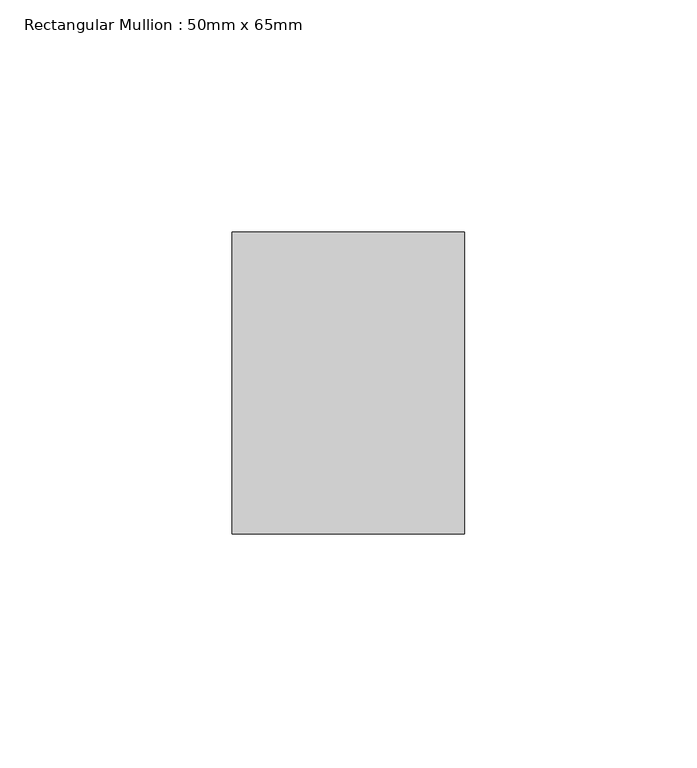
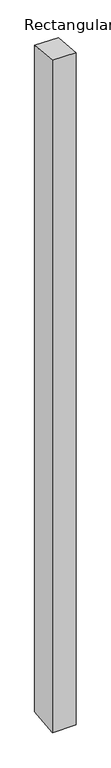
"""IFC4 building model written with IfcOpenShell, lengths in millimetres: member geometry, Rectangular Mullion : 50mm x 65mm."""

from ifc_helpers import new_model, si_unit, origin, place, context, project, spatial, faceted_brep, source, transform, mapped, element, save


def rectangular_mullion_50mm_x_65mm_44060c41(model_context):
    return source(origin(), model_context, "Body", "Brep", [
        faceted_brep([(-25.0, 32.5, -2.9911634), (25.0, 32.5, -2.9911489), (25.0, 32.5, -1496.6283857), (-25.0, 32.5, -1496.6283694), (-25.0, -32.5, 2.9911489), (-25.0, -32.5, -1503.3717336), (25.0, -32.5, 2.9911634), (25.0, -32.5, -1503.3717499)], [[[0, 1, 2, 3]], [[4, 0, 3, 5]], [[6, 4, 5, 7]], [[1, 6, 7, 2]], [[1, 0, 4, 6]], [[2, 7, 5, 3]]]),
    ])


if __name__ == "__main__":
    model = new_model("IFC4")
    model_context = context("Model", 3, world=origin())
    ifc_project = project(units=[si_unit("LENGTHUNIT", "METRE", prefix="MILLI")], contexts=[model_context])
    site = spatial("IfcSite", under=ifc_project)
    building = spatial("IfcBuilding", under=site)
    placement = place(None, origin())
    rectangular_mullion_50mm_x_65mm_shape = rectangular_mullion_50mm_x_65mm_44060c41(model_context)
    element("IfcMember", 1, ObjectType="Rectangular Mullion : 50mm x 65mm", at=placement, inside=building, context=model_context, shape_type="MappedRepresentation", body=[
        mapped(rectangular_mullion_50mm_x_65mm_shape, transform((0.0, 0.0, 0.0), x_axis=(1.0, 0.0, 0.0), y_axis=(0.0, 1.0, 0.0), z_axis=(0.0, 0.0, 1.0))),
    ])
    save(model, "model.ifc")
